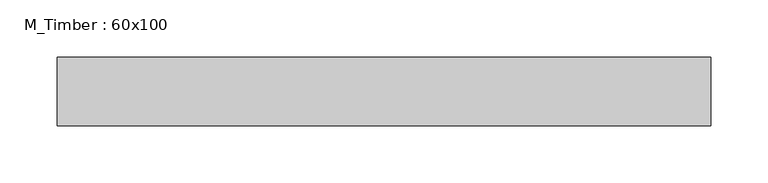
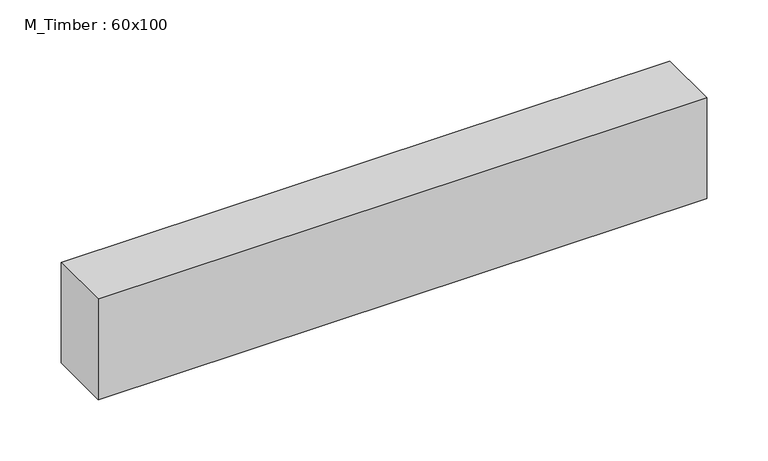
"""IFC4 building model written with IfcOpenShell, lengths in millimetres: beam geometry, M_Timber : 60x100."""

from ifc_helpers import new_model, si_unit, frame, origin, place, context, project, spatial, polyline, outline, extrude, source, transform, mapped, element, save


def m_timber_60x100_2d447358(model_context):
    return source(origin(), model_context, "Body", "SweptSolid", [
        extrude(outline(polyline([(650.130409, 30.0), (650.130409, -30.0), (77.8943472, -30.0), (77.8943472, 30.0), (650.130409, 30.0)])), frame((0.0, 0.0, -50.0), z_axis=(0.0, 0.0, 1.0), x_axis=(1.0, 0.0, 0.0)), (0.0, 0.0, 1.0), 100.0),
    ])


if __name__ == "__main__":
    model = new_model("IFC4")
    model_context = context("Model", 3, world=origin())
    ifc_project = project(units=[si_unit("LENGTHUNIT", "METRE", prefix="MILLI")], contexts=[model_context])
    site = spatial("IfcSite", under=ifc_project)
    building = spatial("IfcBuilding", under=site)
    placement = place(None, origin())
    m_timber_60x100_shape = m_timber_60x100_2d447358(model_context)
    element("IfcBeam", 1, ObjectType="M_Timber : 60x100", at=placement, inside=building, context=model_context, shape_type="MappedRepresentation", body=[
        mapped(m_timber_60x100_shape, transform((0.0, 0.0, 0.0), x_axis=(1.0, 0.0, 0.0), y_axis=(0.0, 1.0, 0.0), z_axis=(0.0, 0.0, 1.0))),
    ])
    save(model, "model.ifc")
